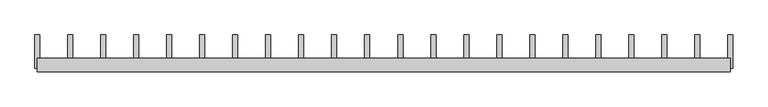
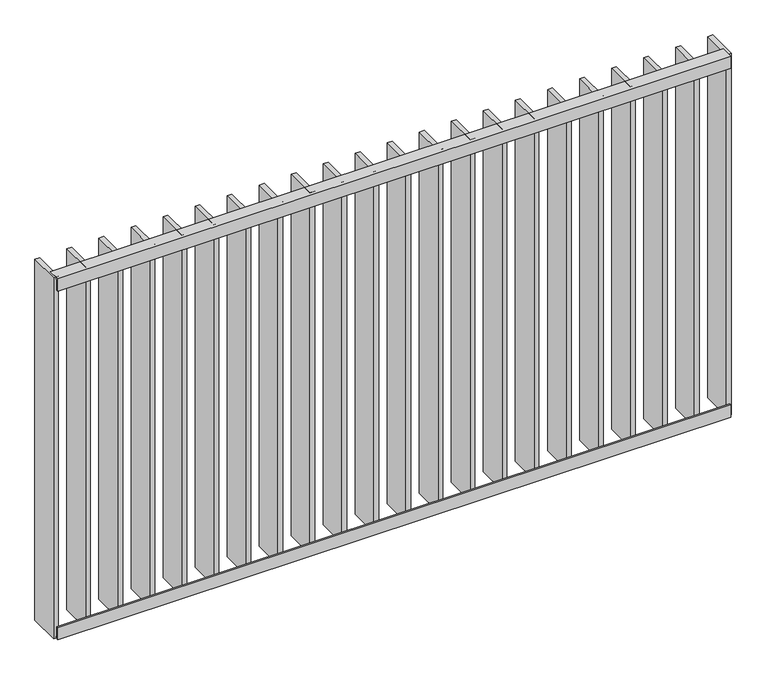
"""IFC4 building model written with IfcOpenShell, lengths in millimetres: railing geometry."""

from ifc_helpers import new_model, si_unit, frame, origin, place, context, project, spatial, polyline, outline, extrude, source, transform, mapped, element, save


def railing_eff4adde(model_context):
    return source(origin(), model_context, "Body", "SweptSolid", [
        extrude(outline(polyline([(-14.0, -6.0), (-14.0, -40.0), (-20.0, -40.0), (-20.0, 0.0), (20.0, 0.0), (20.0, -6.0), (-14.0, -6.0)])), frame((42609.5112064, 30791.429446, 8000.0), z_axis=(1.0, -5.045744335172764e-12, 0.0), x_axis=(5.045744335172764e-12, 1.0, 0.0)), (0.0, 0.0, 1.0), 2080.0),
        extrude(outline(polyline([(-14.0, 6.0), (20.0, 6.0), (20.0, 0.0), (-20.0, 0.0), (-20.0, 40.0), (-14.0, 40.0), (-14.0, 6.0)])), frame((42609.5112064, 30791.429446, 6820.0), z_axis=(1.0, -5.045744335172764e-12, 0.0), x_axis=(5.045744335172764e-12, 1.0, 0.0)), (0.0, 0.0, 1.0), 2080.0),
        extrude(outline(polyline([(44582.9635874, 30781.429446), (44582.9635874, 30881.429446), (44597.9635874, 30881.429446), (44597.9635874, 30781.429446), (44582.9635874, 30781.429446)])), frame((0.0, 0.0, 6819.9), z_axis=(0.0, 0.0, 1.0), x_axis=(1.0, 0.0, 0.0)), (0.0, 0.0, 1.0), 1180.2),
        extrude(outline(polyline([(44483.9159683, 30781.429446), (44483.9159683, 30881.429446), (44498.9159683, 30881.429446), (44498.9159683, 30781.429446), (44483.9159683, 30781.429446)])), frame((0.0, 0.0, 6819.9), z_axis=(0.0, 0.0, 1.0), x_axis=(1.0, 0.0, 0.0)), (0.0, 0.0, 1.0), 1180.2),
        extrude(outline(polyline([(44384.8683493, 30781.429446), (44384.8683493, 30881.429446), (44399.8683493, 30881.429446), (44399.8683493, 30781.429446), (44384.8683493, 30781.429446)])), frame((0.0, 0.0, 6819.9), z_axis=(0.0, 0.0, 1.0), x_axis=(1.0, 0.0, 0.0)), (0.0, 0.0, 1.0), 1180.2),
        extrude(outline(polyline([(44285.8207302, 30781.429446), (44285.8207302, 30881.429446), (44300.8207302, 30881.429446), (44300.8207302, 30781.429446), (44285.8207302, 30781.429446)])), frame((0.0, 0.0, 6819.9), z_axis=(0.0, 0.0, 1.0), x_axis=(1.0, 0.0, 0.0)), (0.0, 0.0, 1.0), 1180.2),
        extrude(outline(polyline([(44186.7731112, 30781.429446), (44186.7731112, 30881.429446), (44201.7731112, 30881.429446), (44201.7731112, 30781.429446), (44186.7731112, 30781.429446)])), frame((0.0, 0.0, 6819.9), z_axis=(0.0, 0.0, 1.0), x_axis=(1.0, 0.0, 0.0)), (0.0, 0.0, 1.0), 1180.2),
        extrude(outline(polyline([(44087.7254921, 30781.429446), (44087.7254921, 30881.429446), (44102.7254921, 30881.429446), (44102.7254921, 30781.429446), (44087.7254921, 30781.429446)])), frame((0.0, 0.0, 6819.9), z_axis=(0.0, 0.0, 1.0), x_axis=(1.0, 0.0, 0.0)), (0.0, 0.0, 1.0), 1180.2),
        extrude(outline(polyline([(43988.6778731, 30781.429446), (43988.6778731, 30881.429446), (44003.6778731, 30881.429446), (44003.6778731, 30781.429446), (43988.6778731, 30781.429446)])), frame((0.0, 0.0, 6819.9), z_axis=(0.0, 0.0, 1.0), x_axis=(1.0, 0.0, 0.0)), (0.0, 0.0, 1.0), 1180.2),
        extrude(outline(polyline([(43889.630254, 30781.429446), (43889.630254, 30881.429446), (43904.630254, 30881.429446), (43904.630254, 30781.429446), (43889.630254, 30781.429446)])), frame((0.0, 0.0, 6819.9), z_axis=(0.0, 0.0, 1.0), x_axis=(1.0, 0.0, 0.0)), (0.0, 0.0, 1.0), 1180.2),
        extrude(outline(polyline([(43790.582635, 30781.429446), (43790.582635, 30881.429446), (43805.582635, 30881.429446), (43805.582635, 30781.429446), (43790.582635, 30781.429446)])), frame((0.0, 0.0, 6819.9), z_axis=(0.0, 0.0, 1.0), x_axis=(1.0, 0.0, 0.0)), (0.0, 0.0, 1.0), 1180.2),
        extrude(outline(polyline([(43691.5350159, 30781.429446), (43691.5350159, 30881.429446), (43706.5350159, 30881.429446), (43706.5350159, 30781.429446), (43691.5350159, 30781.429446)])), frame((0.0, 0.0, 6819.9), z_axis=(0.0, 0.0, 1.0), x_axis=(1.0, 0.0, 0.0)), (0.0, 0.0, 1.0), 1180.2),
        extrude(outline(polyline([(43592.4873969, 30781.429446), (43592.4873969, 30881.429446), (43607.4873969, 30881.429446), (43607.4873969, 30781.429446), (43592.4873969, 30781.429446)])), frame((0.0, 0.0, 6819.9), z_axis=(0.0, 0.0, 1.0), x_axis=(1.0, 0.0, 0.0)), (0.0, 0.0, 1.0), 1180.2),
        extrude(outline(polyline([(43493.4397778, 30781.429446), (43493.4397778, 30881.429446), (43508.4397778, 30881.429446), (43508.4397778, 30781.429446), (43493.4397778, 30781.429446)])), frame((0.0, 0.0, 6819.9), z_axis=(0.0, 0.0, 1.0), x_axis=(1.0, 0.0, 0.0)), (0.0, 0.0, 1.0), 1180.2),
        extrude(outline(polyline([(43394.3921588, 30781.429446), (43394.3921588, 30881.429446), (43409.3921588, 30881.429446), (43409.3921588, 30781.429446), (43394.3921588, 30781.429446)])), frame((0.0, 0.0, 6819.9), z_axis=(0.0, 0.0, 1.0), x_axis=(1.0, 0.0, 0.0)), (0.0, 0.0, 1.0), 1180.2),
        extrude(outline(polyline([(43295.3445398, 30781.429446), (43295.3445398, 30881.429446), (43310.3445398, 30881.429446), (43310.3445398, 30781.429446), (43295.3445398, 30781.429446)])), frame((0.0, 0.0, 6819.9), z_axis=(0.0, 0.0, 1.0), x_axis=(1.0, 0.0, 0.0)), (0.0, 0.0, 1.0), 1180.2),
        extrude(outline(polyline([(43196.2969207, 30781.429446), (43196.2969207, 30881.429446), (43211.2969207, 30881.429446), (43211.2969207, 30781.429446), (43196.2969207, 30781.429446)])), frame((0.0, 0.0, 6819.9), z_axis=(0.0, 0.0, 1.0), x_axis=(1.0, 0.0, 0.0)), (0.0, 0.0, 1.0), 1180.2),
        extrude(outline(polyline([(43097.2493017, 30781.429446), (43097.2493017, 30881.429446), (43112.2493017, 30881.429446), (43112.2493017, 30781.429446), (43097.2493017, 30781.429446)])), frame((0.0, 0.0, 6819.9), z_axis=(0.0, 0.0, 1.0), x_axis=(1.0, 0.0, 0.0)), (0.0, 0.0, 1.0), 1180.2),
        extrude(outline(polyline([(42998.2016826, 30781.429446), (42998.2016826, 30881.429446), (43013.2016826, 30881.429446), (43013.2016826, 30781.429446), (42998.2016826, 30781.429446)])), frame((0.0, 0.0, 6819.9), z_axis=(0.0, 0.0, 1.0), x_axis=(1.0, 0.0, 0.0)), (0.0, 0.0, 1.0), 1180.2),
        extrude(outline(polyline([(42899.1540636, 30781.429446), (42899.1540636, 30881.429446), (42914.1540636, 30881.429446), (42914.1540636, 30781.429446), (42899.1540636, 30781.429446)])), frame((0.0, 0.0, 6819.9), z_axis=(0.0, 0.0, 1.0), x_axis=(1.0, 0.0, 0.0)), (0.0, 0.0, 1.0), 1180.2),
        extrude(outline(polyline([(42800.1064445, 30781.429446), (42800.1064445, 30881.429446), (42815.1064445, 30881.429446), (42815.1064445, 30781.429446), (42800.1064445, 30781.429446)])), frame((0.0, 0.0, 6819.9), z_axis=(0.0, 0.0, 1.0), x_axis=(1.0, 0.0, 0.0)), (0.0, 0.0, 1.0), 1180.2),
        extrude(outline(polyline([(42701.0588255, 30781.429446), (42701.0588255, 30881.429446), (42716.0588255, 30881.429446), (42716.0588255, 30781.429446), (42701.0588255, 30781.429446)])), frame((0.0, 0.0, 6819.9), z_axis=(0.0, 0.0, 1.0), x_axis=(1.0, 0.0, 0.0)), (0.0, 0.0, 1.0), 1180.2),
        extrude(outline(polyline([(44682.0112064, 30781.429446), (44682.0112064, 30881.429446), (44697.0112064, 30881.429446), (44697.0112064, 30781.429446), (44682.0112064, 30781.429446)])), frame((0.0, 0.0, 6819.9), z_axis=(0.0, 0.0, 1.0), x_axis=(1.0, 0.0, 0.0)), (0.0, 0.0, 1.0), 1180.2),
        extrude(outline(polyline([(42602.0112064, 30781.429446), (42602.0112064, 30881.429446), (42617.0112064, 30881.429446), (42617.0112064, 30781.429446), (42602.0112064, 30781.429446)])), frame((0.0, 0.0, 6819.9), z_axis=(0.0, 0.0, 1.0), x_axis=(1.0, 0.0, 0.0)), (0.0, 0.0, 1.0), 1180.2),
    ])


if __name__ == "__main__":
    model = new_model("IFC4")
    model_context = context("Model", 3, world=origin())
    ifc_project = project(units=[si_unit("LENGTHUNIT", "METRE", prefix="MILLI")], contexts=[model_context])
    site = spatial("IfcSite", under=ifc_project)
    building = spatial("IfcBuilding", under=site)
    placement = place(None, origin())
    railing_shape = railing_eff4adde(model_context)
    element("IfcRailing", 1, at=placement, inside=building, context=model_context, shape_type="MappedRepresentation", body=[
        mapped(railing_shape, transform((0.0, 0.0, 0.0), x_axis=(1.0, 0.0, 0.0), y_axis=(0.0, 1.0, 0.0), z_axis=(0.0, 0.0, 1.0))),
    ])
    save(model, "model.ifc")
